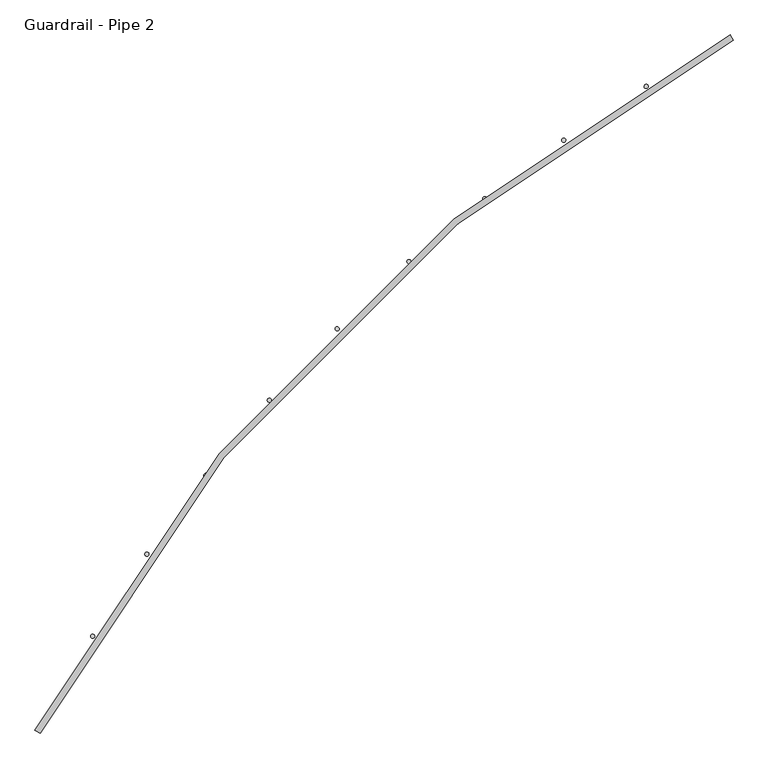
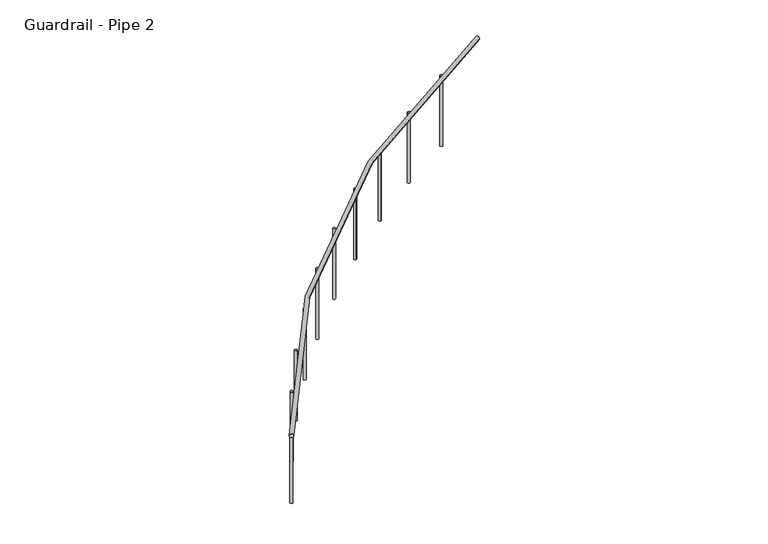
"""IFC4 building model written with IfcOpenShell, lengths in millimetres: railing geometry, Guardrail - Pipe 2."""

from ifc_helpers import new_model, si_unit, point, frame, frame_2d, origin, place, context, project, spatial, circle_curve, ellipse_curve, trimmed, segment, composite_curve, outline, extrude, source, transform, mapped, element, save
from ifc_brep_helpers import plane_surface, revolved_surface, advanced_brep


def guardrail_pipe_2_df8fe77c(model_context):
    return source(origin(), model_context, "Body", "SolidModel", [
        advanced_brep(
        [(585770.198997, -255066.1139047, 5518.15), (590060.93135, -250775.3815518, 5518.15), (590043.0019382, -250741.7639047, 5518.15), (585736.58135, -255048.1844929, 5518.15)],
        [
            (0, 1, circle_curve(frame((594964.6254676, -259969.8080223, 5518.15), z_axis=(0.0, 0.0, -1.0), x_axis=(-0.47058823529371446, 0.8823529411766856, 0.0)), 10420.35)),
            (1, 2, circle_curve(frame((590051.9666441, -250758.5727282, 5518.15), z_axis=(-0.8823529411766841, -0.4705882352937174, 0.0), x_axis=(-0.4705882352937174, 0.8823529411766841, 0.0)), 19.05)),
            (2, 3, circle_curve(frame((594964.6254676, -259969.8080223, 5518.15), z_axis=(0.0, 0.0, 1.0), x_axis=(-0.47058823529371446, 0.8823529411766856, 0.0)), 10458.45)),
            (3, 0, circle_curve(frame((585753.3901735, -255057.1491988, 5518.15), z_axis=(0.47058823529375443, 0.8823529411766643, 0.0), x_axis=(-0.8823529411766643, 0.47058823529375443, 0.0)), 19.05)),
            (2, 1, circle_curve(frame((590051.9666441, -250758.5727282, 5518.15), z_axis=(-0.8823529411766833, -0.47058823529371885, 0.0), x_axis=(-0.47058823529371885, 0.8823529411766833, 0.0)), 19.05)),
            (0, 3, circle_curve(frame((585753.3901735, -255057.1491988, 5518.15), z_axis=(0.4705882352937555, 0.8823529411766637, 0.0), x_axis=(-0.8823529411766637, 0.4705882352937555, 0.0)), 19.05)),
        ],
        [
            revolved_surface(trimmed(ellipse_curve(frame((590051.9666441, -250758.5727282, 5518.15), z_axis=(0.8823529411766856, 0.47058823529371446, 0.0), x_axis=(-0.47058823529371446, 0.8823529411766856, 0.0)), 19.05, 19.05), [point((590043.0019382, -250741.7639047, 5518.15))], [point((590060.93135, -250775.3815518, 5518.15))], True, "CARTESIAN"), (594964.6254676, -259969.8080223, 5537.2), (0.0, 0.0, 1.0)),
            revolved_surface(trimmed(ellipse_curve(frame((590051.9666441, -250758.5727282, 5518.15), z_axis=(0.8823529411766856, 0.47058823529371446, 0.0), x_axis=(-0.47058823529371446, 0.8823529411766856, 0.0)), 19.05, 19.05), [point((590060.93135, -250775.3815518, 5518.15))], [point((590043.0019382, -250741.7639047, 5518.15))], True, "CARTESIAN"), (594964.6254676, -259969.8080223, 5537.2), (0.0, 0.0, 1.0)),
            plane_surface(frame((590051.9666441, -250758.5727282, 5537.2), z_axis=(0.8823529411766856, 0.47058823529371446, 0.0), x_axis=(0.47058823529371446, -0.8823529411766856, 0.0))),
            plane_surface(frame((585753.3901735, -255057.1491988, 5537.2), z_axis=(-0.47058823529374844, -0.8823529411766675, 0.0), x_axis=(0.8823529411766675, -0.47058823529374844, 0.0))),
        ],
        [
            (0, [[1, 2, 3, 4]]),
            (1, [[-3, 5, -1, 6]]),
            (2, [[-5, -2]]),
            (3, [[-4, -6]]),
        ],
    ),
        extrude(outline(composite_curve([segment(trimmed(circle_curve(frame_2d((585787.7059149, -254993.3414161)), 12.7), [point((585798.8700506, -254999.3955117))], [point((585776.5417792, -254987.2873204))], False, "CARTESIAN"), True, "CONTINUOUS"), segment(trimmed(circle_curve(frame_2d((585787.7059149, -254993.3414161)), 12.7), [point((585776.5417792, -254987.2873204))], [point((585798.8700506, -254999.3955117))], False, "CARTESIAN"), True, "CONTINUOUS")], self_intersect=False)), frame((0.0, 0.0, 4775.2), z_axis=(0.0, 0.0, 1.0), x_axis=(1.0, 0.0, 0.0)), (0.0, 0.0, 1.0), 723.9),
        extrude(outline(composite_curve([segment(trimmed(circle_curve(frame_2d((586093.779026, -254466.2495582)), 12.7), [point((586104.57081, -254472.9448848))], [point((586082.987242, -254459.5542316))], False, "CARTESIAN"), True, "CONTINUOUS"), segment(trimmed(circle_curve(frame_2d((586093.779026, -254466.2495582)), 12.7), [point((586082.987242, -254459.5542316))], [point((586104.57081, -254472.9448848))], False, "CARTESIAN"), True, "CONTINUOUS")], self_intersect=False)), frame((0.0, 0.0, 4775.2), z_axis=(0.0, 0.0, 1.0), x_axis=(1.0, 0.0, 0.0)), (0.0, 0.0, 1.0), 723.9),
        extrude(outline(composite_curve([segment(trimmed(circle_curve(frame_2d((586430.0920467, -253957.9188311)), 12.7), [point((586440.4746908, -253965.2325649))], [point((586419.7094027, -253950.6050973))], False, "CARTESIAN"), True, "CONTINUOUS"), segment(trimmed(circle_curve(frame_2d((586430.0920467, -253957.9188311)), 12.7), [point((586419.7094027, -253950.6050973))], [point((586440.4746908, -253965.2325649))], False, "CARTESIAN"), True, "CONTINUOUS")], self_intersect=False)), frame((0.0, 0.0, 4775.2), z_axis=(0.0, 0.0, 1.0), x_axis=(1.0, 0.0, 0.0)), (0.0, 0.0, 1.0), 723.9),
        extrude(outline(composite_curve([segment(trimmed(circle_curve(frame_2d((586795.4985166, -253470.0820882)), 12.7), [point((586805.4366273, -253477.9892974))], [point((586785.560406, -253462.174879))], False, "CARTESIAN"), True, "CONTINUOUS"), segment(trimmed(circle_curve(frame_2d((586795.4985166, -253470.0820882)), 12.7), [point((586785.560406, -253462.174879))], [point((586805.4366273, -253477.9892974))], False, "CARTESIAN"), True, "CONTINUOUS")], self_intersect=False)), frame((0.0, 0.0, 4775.2), z_axis=(0.0, 0.0, 1.0), x_axis=(1.0, 0.0, 0.0)), (0.0, 0.0, 1.0), 723.9),
        extrude(outline(composite_curve([segment(trimmed(circle_curve(frame_2d((587188.7527983, -253004.4023206)), 12.7), [point((587198.2124974, -253012.8760501))], [point((587179.2930992, -252995.928591))], False, "CARTESIAN"), True, "CONTINUOUS"), segment(trimmed(circle_curve(frame_2d((587188.7527983, -253004.4023206)), 12.7), [point((587179.2930992, -252995.928591))], [point((587198.2124974, -253012.8760501))], False, "CARTESIAN"), True, "CONTINUOUS")], self_intersect=False)), frame((0.0, 0.0, 4775.2), z_axis=(0.0, 0.0, 1.0), x_axis=(1.0, 0.0, 0.0)), (0.0, 0.0, 1.0), 723.9),
        extrude(outline(composite_curve([segment(trimmed(circle_curve(frame_2d((587608.5143235, -252562.4669883)), 12.7), [point((587617.4633638, -252571.4783521))], [point((587599.5652832, -252553.4556245))], False, "CARTESIAN"), True, "CONTINUOUS"), segment(trimmed(circle_curve(frame_2d((587608.5143235, -252562.4669883)), 12.7), [point((587599.5652832, -252553.4556245))], [point((587617.4633638, -252571.4783521))], False, "CARTESIAN"), True, "CONTINUOUS")], self_intersect=False)), frame((0.0, 0.0, 4775.2), z_axis=(0.0, 0.0, 1.0), x_axis=(1.0, 0.0, 0.0)), (0.0, 0.0, 1.0), 723.9),
        extrude(outline(composite_curve([segment(trimmed(circle_curve(frame_2d((588053.3521634, -252145.7826087)), 12.7), [point((588061.7600384, -252155.3008878))], [point((588044.9442883, -252136.2643296))], False, "CARTESIAN"), True, "CONTINUOUS"), segment(trimmed(circle_curve(frame_2d((588053.3521634, -252145.7826087)), 12.7), [point((588044.9442883, -252136.2643296))], [point((588061.7600384, -252155.3008878))], False, "CARTESIAN"), True, "CONTINUOUS")], self_intersect=False)), frame((0.0, 0.0, 4775.2), z_axis=(0.0, 0.0, 1.0), x_axis=(1.0, 0.0, 0.0)), (0.0, 0.0, 1.0), 723.9),
        extrude(outline(composite_curve([segment(trimmed(circle_curve(frame_2d((588521.7499061, -251755.769621)), 12.7), [point((588529.5879543, -251765.7623684))], [point((588513.911858, -251745.7768735))], False, "CARTESIAN"), True, "CONTINUOUS"), segment(trimmed(circle_curve(frame_2d((588521.7499061, -251755.769621)), 12.7), [point((588513.911858, -251745.7768735))], [point((588529.5879543, -251765.7623684))], False, "CARTESIAN"), True, "CONTINUOUS")], self_intersect=False)), frame((0.0, 0.0, 4775.2), z_axis=(0.0, 0.0, 1.0), x_axis=(1.0, 0.0, 0.0)), (0.0, 0.0, 1.0), 723.9),
        extrude(outline(composite_curve([segment(trimmed(circle_curve(frame_2d((589012.1108264, -251393.757544)), 12.7), [point((589019.3523284, -251404.1906955))], [point((589004.8693244, -251383.3243926))], False, "CARTESIAN"), True, "CONTINUOUS"), segment(trimmed(circle_curve(frame_2d((589012.1108264, -251393.757544)), 12.7), [point((589004.8693244, -251383.3243926))], [point((589019.3523284, -251404.1906955))], False, "CARTESIAN"), True, "CONTINUOUS")], self_intersect=False)), frame((0.0, 0.0, 4775.2), z_axis=(0.0, 0.0, 1.0), x_axis=(1.0, 0.0, 0.0)), (0.0, 0.0, 1.0), 723.9),
        extrude(outline(composite_curve([segment(trimmed(circle_curve(frame_2d((589522.7633284, -251060.9804442)), 12.7), [point((589529.3835986, -251071.8184339))], [point((589516.1430582, -251050.1424544))], False, "CARTESIAN"), True, "CONTINUOUS"), segment(trimmed(circle_curve(frame_2d((589522.7633284, -251060.9804442)), 12.7), [point((589516.1430582, -251050.1424544))], [point((589529.3835986, -251071.8184339))], False, "CARTESIAN"), True, "CONTINUOUS")], self_intersect=False)), frame((0.0, 0.0, 4775.2), z_axis=(0.0, 0.0, 1.0), x_axis=(1.0, 0.0, 0.0)), (0.0, 0.0, 1.0), 723.9),
    ])


if __name__ == "__main__":
    model = new_model("IFC4")
    model_context = context("Model", 3, world=origin())
    ifc_project = project(units=[si_unit("LENGTHUNIT", "METRE", prefix="MILLI")], contexts=[model_context])
    site = spatial("IfcSite", under=ifc_project)
    building = spatial("IfcBuilding", under=site)
    placement = place(None, origin())
    guardrail_pipe_2_shape = guardrail_pipe_2_df8fe77c(model_context)
    element("IfcRailing", 1, ObjectType="Guardrail - Pipe 2", at=placement, inside=building, context=model_context, shape_type="MappedRepresentation", body=[
        mapped(guardrail_pipe_2_shape, transform((0.0, 0.0, 0.0), x_axis=(1.0, 0.0, 0.0), y_axis=(0.0, 1.0, 0.0), z_axis=(0.0, 0.0, 1.0))),
    ])
    save(model, "model.ifc")
